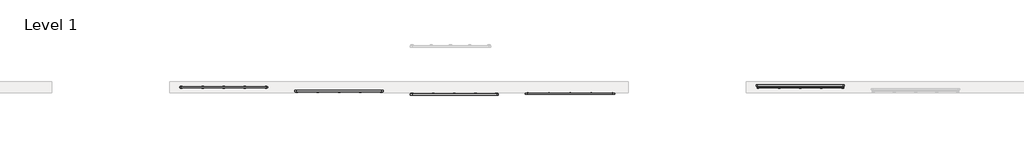
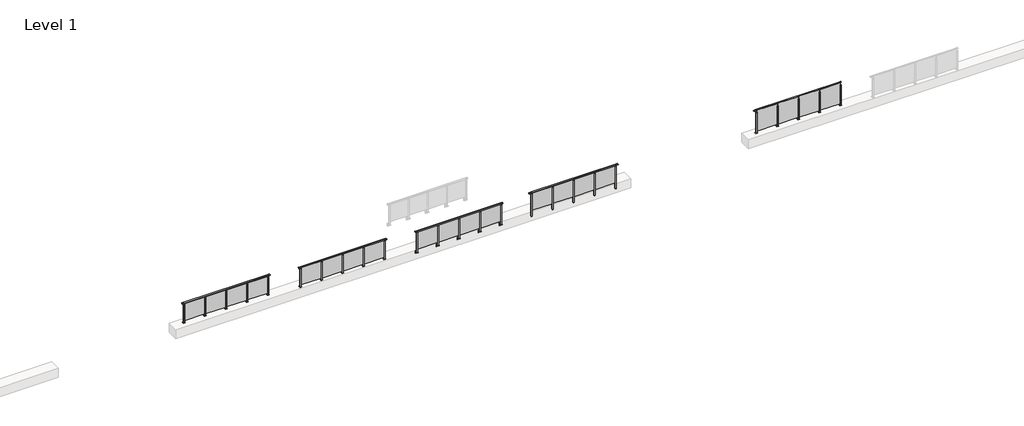
# One storey, part 18 of 37: 5 railings.
"""IFC4 building model written with IfcOpenShell, lengths in millimetres."""

from ifc_helpers import new_model, si_unit, point, frame, frame_2d, origin, origin_with_axes, place, context, project, spatial, polyline, circle_curve, trimmed, segment, composite_curve, outline, extrude, faceted_brep, element, save

model = new_model("IFC4")

# Units and contexts
model_context = context("Model", 3, world=origin())
ifc_project = project(units=[si_unit("LENGTHUNIT", "METRE", prefix="MILLI")], contexts=[model_context])

# Site, building, storey
site = spatial("IfcSite", under=ifc_project)
building = spatial("IfcBuilding", under=site)
storey = spatial("IfcBuildingStorey", under=building, Name="Level 1", Elevation=0.0)

# Railings
placement = place(None, origin())
element("IfcRailing", 1, at=placement, inside=storey, context=model_context, shape_type="SolidModel", body=[
    faceted_brep([(30000.0, 15220.1846828, 1055.0), (30000.0, 15220.1846828, 1100.0), (34400.0, 15220.1846828, 1100.0), (34400.0, 15220.1846828, 1055.0), (30000.0, 15160.1846828, 1055.0), (34400.0, 15160.1846828, 1055.0), (30000.0, 15160.1846828, 1100.0), (34400.0, 15160.1846828, 1100.0), (29900.0, 15220.1846828, 1100.0), (29900.0, 15220.1846828, 1055.0), (29900.0, 15160.1846828, 1055.0), (29900.0, 15160.1846828, 1100.0), (34500.0, 15220.1846828, 1100.0), (34500.0, 15160.1846828, 1100.0), (34500.0, 15160.1846828, 1055.0), (34500.0, 15220.1846828, 1055.0)], [[[0, 1, 2, 3]], [[4, 0, 3, 5]], [[6, 4, 5, 7]], [[1, 6, 7, 2]], [[8, 9, 10, 11]], [[9, 8, 1, 0]], [[10, 9, 0, 4]], [[11, 10, 4, 6]], [[8, 11, 6, 1]], [[12, 13, 14, 15]], [[3, 2, 12, 15]], [[5, 3, 15, 14]], [[7, 5, 14, 13]], [[2, 7, 13, 12]]]),
    extrude(outline(polyline([(33310.0, 15195.9598727), (34390.0, 15195.9598727), (34390.0, 15185.9598727), (33310.0, 15185.9598727), (33310.0, 15195.9598727)])), frame((0.0, 0.0, 95.0), z_axis=(0.0, 0.0, 1.0), x_axis=(1.0, 0.0, 0.0)), (0.0, 0.0, 1.0), 970.0),
    extrude(outline(polyline([(33310.0, 15180.1846828), (33290.0, 15180.1846828), (33290.0, 15200.1846828), (33310.0, 15200.1846828), (33310.0, 15180.1846828)])), frame((0.0, 0.0, 1035.0), z_axis=(0.0, 0.0, 1.0), x_axis=(1.0, 0.0, 0.0)), (0.0, 0.0, 1.0), 20.0),
    extrude(outline(polyline([(33322.5, 15157.6846828), (33277.5, 15157.6846828), (33277.5, 15222.6846828), (33322.5, 15222.6846828), (33322.5, 15157.6846828)])), frame((0.0, 0.0, 1027.0), z_axis=(0.0, 0.0, 1.0), x_axis=(1.0, 0.0, 0.0)), (0.0, 0.0, 1.0), 8.0),
    extrude(outline(polyline([(33350.0, 15140.1846828), (33250.0, 15140.1846828), (33250.0, 15240.1846828), (33350.0, 15240.1846828), (33350.0, 15140.1846828)])), origin_with_axes(), (0.0, 0.0, 1.0), 12.0),
    extrude(outline(polyline([(33322.5, 15157.6846828), (33277.5, 15157.6846828), (33277.5, 15222.6846828), (33322.5, 15222.6846828), (33322.5, 15157.6846828)])), frame((0.0, 0.0, 12.0), z_axis=(0.0, 0.0, 1.0), x_axis=(1.0, 0.0, 0.0)), (0.0, 0.0, 1.0), 1015.0),
    extrude(outline(polyline([(32210.0, 15195.9598727), (33290.0, 15195.9598727), (33290.0, 15185.9598727), (32210.0, 15185.9598727), (32210.0, 15195.9598727)])), frame((0.0, 0.0, 95.0), z_axis=(0.0, 0.0, 1.0), x_axis=(1.0, 0.0, 0.0)), (0.0, 0.0, 1.0), 970.0),
    extrude(outline(polyline([(32210.0, 15180.1846828), (32190.0, 15180.1846828), (32190.0, 15200.1846828), (32210.0, 15200.1846828), (32210.0, 15180.1846828)])), frame((0.0, 0.0, 1035.0), z_axis=(0.0, 0.0, 1.0), x_axis=(1.0, 0.0, 0.0)), (0.0, 0.0, 1.0), 20.0),
    extrude(outline(polyline([(32222.5, 15157.6846828), (32177.5, 15157.6846828), (32177.5, 15222.6846828), (32222.5, 15222.6846828), (32222.5, 15157.6846828)])), frame((0.0, 0.0, 1027.0), z_axis=(0.0, 0.0, 1.0), x_axis=(1.0, 0.0, 0.0)), (0.0, 0.0, 1.0), 8.0),
    extrude(outline(polyline([(32250.0, 15140.1846828), (32150.0, 15140.1846828), (32150.0, 15240.1846828), (32250.0, 15240.1846828), (32250.0, 15140.1846828)])), origin_with_axes(), (0.0, 0.0, 1.0), 12.0),
    extrude(outline(polyline([(32222.5, 15157.6846828), (32177.5, 15157.6846828), (32177.5, 15222.6846828), (32222.5, 15222.6846828), (32222.5, 15157.6846828)])), frame((0.0, 0.0, 12.0), z_axis=(0.0, 0.0, 1.0), x_axis=(1.0, 0.0, 0.0)), (0.0, 0.0, 1.0), 1015.0),
    extrude(outline(polyline([(31110.0, 15195.9598727), (32190.0, 15195.9598727), (32190.0, 15185.9598727), (31110.0, 15185.9598727), (31110.0, 15195.9598727)])), frame((0.0, 0.0, 95.0), z_axis=(0.0, 0.0, 1.0), x_axis=(1.0, 0.0, 0.0)), (0.0, 0.0, 1.0), 970.0),
    extrude(outline(polyline([(31110.0, 15180.1846828), (31090.0, 15180.1846828), (31090.0, 15200.1846828), (31110.0, 15200.1846828), (31110.0, 15180.1846828)])), frame((0.0, 0.0, 1035.0), z_axis=(0.0, 0.0, 1.0), x_axis=(1.0, 0.0, 0.0)), (0.0, 0.0, 1.0), 20.0),
    extrude(outline(polyline([(31122.5, 15157.6846828), (31077.5, 15157.6846828), (31077.5, 15222.6846828), (31122.5, 15222.6846828), (31122.5, 15157.6846828)])), frame((0.0, 0.0, 1027.0), z_axis=(0.0, 0.0, 1.0), x_axis=(1.0, 0.0, 0.0)), (0.0, 0.0, 1.0), 8.0),
    extrude(outline(polyline([(31150.0, 15140.1846828), (31050.0, 15140.1846828), (31050.0, 15240.1846828), (31150.0, 15240.1846828), (31150.0, 15140.1846828)])), origin_with_axes(), (0.0, 0.0, 1.0), 12.0),
    extrude(outline(polyline([(31122.5, 15157.6846828), (31077.5, 15157.6846828), (31077.5, 15222.6846828), (31122.5, 15222.6846828), (31122.5, 15157.6846828)])), frame((0.0, 0.0, 12.0), z_axis=(0.0, 0.0, 1.0), x_axis=(1.0, 0.0, 0.0)), (0.0, 0.0, 1.0), 1015.0),
    extrude(outline(polyline([(30010.0, 15195.9598727), (31090.0, 15195.9598727), (31090.0, 15185.9598727), (30010.0, 15185.9598727), (30010.0, 15195.9598727)])), frame((0.0, 0.0, 95.0), z_axis=(0.0, 0.0, 1.0), x_axis=(1.0, 0.0, 0.0)), (0.0, 0.0, 1.0), 970.0),
    extrude(outline(polyline([(34410.0, 15180.1846828), (34390.0, 15180.1846828), (34390.0, 15200.1846828), (34410.0, 15200.1846828), (34410.0, 15180.1846828)])), frame((0.0, 0.0, 1035.0), z_axis=(0.0, 0.0, 1.0), x_axis=(1.0, 0.0, 0.0)), (0.0, 0.0, 1.0), 20.0),
    extrude(outline(polyline([(34422.5, 15157.6846828), (34377.5, 15157.6846828), (34377.5, 15222.6846828), (34422.5, 15222.6846828), (34422.5, 15157.6846828)])), frame((0.0, 0.0, 1027.0), z_axis=(0.0, 0.0, 1.0), x_axis=(1.0, 0.0, 0.0)), (0.0, 0.0, 1.0), 8.0),
    extrude(outline(polyline([(34450.0, 15140.1846828), (34350.0, 15140.1846828), (34350.0, 15240.1846828), (34450.0, 15240.1846828), (34450.0, 15140.1846828)])), origin_with_axes(), (0.0, 0.0, 1.0), 12.0),
    extrude(outline(polyline([(34422.5, 15157.6846828), (34377.5, 15157.6846828), (34377.5, 15222.6846828), (34422.5, 15222.6846828), (34422.5, 15157.6846828)])), frame((0.0, 0.0, 12.0), z_axis=(0.0, 0.0, 1.0), x_axis=(1.0, 0.0, 0.0)), (0.0, 0.0, 1.0), 1015.0),
    extrude(outline(polyline([(30010.0, 15180.1846828), (29990.0, 15180.1846828), (29990.0, 15200.1846828), (30010.0, 15200.1846828), (30010.0, 15180.1846828)])), frame((0.0, 0.0, 1035.0), z_axis=(0.0, 0.0, 1.0), x_axis=(1.0, 0.0, 0.0)), (0.0, 0.0, 1.0), 20.0),
    extrude(outline(polyline([(30022.5, 15157.6846828), (29977.5, 15157.6846828), (29977.5, 15222.6846828), (30022.5, 15222.6846828), (30022.5, 15157.6846828)])), frame((0.0, 0.0, 1027.0), z_axis=(0.0, 0.0, 1.0), x_axis=(1.0, 0.0, 0.0)), (0.0, 0.0, 1.0), 8.0),
    extrude(outline(polyline([(30050.0, 15140.1846828), (29950.0, 15140.1846828), (29950.0, 15240.1846828), (30050.0, 15240.1846828), (30050.0, 15140.1846828)])), origin_with_axes(), (0.0, 0.0, 1.0), 12.0),
    extrude(outline(polyline([(30022.5, 15157.6846828), (29977.5, 15157.6846828), (29977.5, 15222.6846828), (30022.5, 15222.6846828), (30022.5, 15157.6846828)])), frame((0.0, 0.0, 12.0), z_axis=(0.0, 0.0, 1.0), x_axis=(1.0, 0.0, 0.0)), (0.0, 0.0, 1.0), 1015.0),
])
element("IfcRailing", 2, at=placement, inside=storey, context=model_context, shape_type="SolidModel", body=[
    faceted_brep([(48027.0, 14897.6846828, 1055.0), (48027.0, 14897.6846828, 1100.0), (52427.0, 14897.6846828, 1100.0), (52427.0, 14897.6846828, 1055.0), (48027.0, 14837.6846828, 1055.0), (52427.0, 14837.6846828, 1055.0), (48027.0, 14837.6846828, 1100.0), (52427.0, 14837.6846828, 1100.0), (47899.5, 14897.6846828, 1100.0), (47899.5, 14897.6846828, 1055.0), (47899.5, 14837.6846828, 1055.0), (47899.5, 14837.6846828, 1100.0), (52554.5, 14897.6846828, 1100.0), (52554.5, 14837.6846828, 1100.0), (52554.5, 14837.6846828, 1055.0), (52554.5, 14897.6846828, 1055.0)], [[[0, 1, 2, 3]], [[4, 0, 3, 5]], [[6, 4, 5, 7]], [[1, 6, 7, 2]], [[8, 9, 10, 11]], [[9, 8, 1, 0]], [[10, 9, 0, 4]], [[11, 10, 4, 6]], [[8, 11, 6, 1]], [[12, 13, 14, 15]], [[3, 2, 12, 15]], [[5, 3, 15, 14]], [[7, 5, 14, 13]], [[2, 7, 13, 12]]]),
    extrude(outline(polyline([(51337.0, 14861.9094929), (51337.0, 14871.9094929), (52417.0, 14871.9094929), (52417.0, 14861.9094929), (51337.0, 14861.9094929)])), frame((0.0, 0.0, 95.0), z_axis=(0.0, 0.0, 1.0), x_axis=(1.0, 0.0, 0.0)), (0.0, 0.0, 1.0), 960.0),
    extrude(outline(polyline([(51349.5, 14900.1846828), (51349.5, 14835.1846828), (51304.5, 14835.1846828), (51304.5, 14900.1846828), (51349.5, 14900.1846828)])), frame((0.0, 0.0, 1027.0), z_axis=(0.0, 0.0, 1.0), x_axis=(1.0, 0.0, 0.0)), (0.0, 0.0, 1.0), 8.0),
    extrude(outline(polyline([(51349.5, 14900.1846828), (51349.5, 14835.1846828), (51304.5, 14835.1846828), (51304.5, 14900.1846828), (51349.5, 14900.1846828)])), frame((0.0, 0.0, -212.0), z_axis=(0.0, 0.0, 1.0), x_axis=(1.0, 0.0, 0.0)), (0.0, 0.0, 1.0), 1239.0),
    extrude(outline(polyline([(51337.0, 14877.6846828), (51337.0, 14857.6846828), (51317.0, 14857.6846828), (51317.0, 14877.6846828), (51337.0, 14877.6846828)])), frame((0.0, 0.0, 1035.0), z_axis=(0.0, 0.0, 1.0), x_axis=(1.0, 0.0, 0.0)), (0.0, 0.0, 1.0), 20.0),
    extrude(outline(polyline([(51349.5, 14900.1846828), (51349.5, 14835.1846828), (51304.5, 14835.1846828), (51304.5, 14900.1846828), (51349.5, 14900.1846828)])), frame((0.0, 0.0, -220.0), z_axis=(0.0, 0.0, 1.0), x_axis=(1.0, 0.0, 0.0)), (0.0, 0.0, 1.0), 8.0),
    extrude(outline(polyline([(50237.0, 14861.9094929), (50237.0, 14871.9094929), (51317.0, 14871.9094929), (51317.0, 14861.9094929), (50237.0, 14861.9094929)])), frame((0.0, 0.0, 95.0), z_axis=(0.0, 0.0, 1.0), x_axis=(1.0, 0.0, 0.0)), (0.0, 0.0, 1.0), 960.0),
    extrude(outline(polyline([(50249.5, 14900.1846828), (50249.5, 14835.1846828), (50204.5, 14835.1846828), (50204.5, 14900.1846828), (50249.5, 14900.1846828)])), frame((0.0, 0.0, 1027.0), z_axis=(0.0, 0.0, 1.0), x_axis=(1.0, 0.0, 0.0)), (0.0, 0.0, 1.0), 8.0),
    extrude(outline(polyline([(50249.5, 14900.1846828), (50249.5, 14835.1846828), (50204.5, 14835.1846828), (50204.5, 14900.1846828), (50249.5, 14900.1846828)])), frame((0.0, 0.0, -212.0), z_axis=(0.0, 0.0, 1.0), x_axis=(1.0, 0.0, 0.0)), (0.0, 0.0, 1.0), 1239.0),
    extrude(outline(polyline([(50237.0, 14877.6846828), (50237.0, 14857.6846828), (50217.0, 14857.6846828), (50217.0, 14877.6846828), (50237.0, 14877.6846828)])), frame((0.0, 0.0, 1035.0), z_axis=(0.0, 0.0, 1.0), x_axis=(1.0, 0.0, 0.0)), (0.0, 0.0, 1.0), 20.0),
    extrude(outline(polyline([(50249.5, 14900.1846828), (50249.5, 14835.1846828), (50204.5, 14835.1846828), (50204.5, 14900.1846828), (50249.5, 14900.1846828)])), frame((0.0, 0.0, -220.0), z_axis=(0.0, 0.0, 1.0), x_axis=(1.0, 0.0, 0.0)), (0.0, 0.0, 1.0), 8.0),
    extrude(outline(polyline([(49137.0, 14861.9094929), (49137.0, 14871.9094929), (50217.0, 14871.9094929), (50217.0, 14861.9094929), (49137.0, 14861.9094929)])), frame((0.0, 0.0, 95.0), z_axis=(0.0, 0.0, 1.0), x_axis=(1.0, 0.0, 0.0)), (0.0, 0.0, 1.0), 960.0),
    extrude(outline(polyline([(49149.5, 14900.1846828), (49149.5, 14835.1846828), (49104.5, 14835.1846828), (49104.5, 14900.1846828), (49149.5, 14900.1846828)])), frame((0.0, 0.0, 1027.0), z_axis=(0.0, 0.0, 1.0), x_axis=(1.0, 0.0, 0.0)), (0.0, 0.0, 1.0), 8.0),
    extrude(outline(polyline([(49149.5, 14900.1846828), (49149.5, 14835.1846828), (49104.5, 14835.1846828), (49104.5, 14900.1846828), (49149.5, 14900.1846828)])), frame((0.0, 0.0, -212.0), z_axis=(0.0, 0.0, 1.0), x_axis=(1.0, 0.0, 0.0)), (0.0, 0.0, 1.0), 1239.0),
    extrude(outline(polyline([(49137.0, 14877.6846828), (49137.0, 14857.6846828), (49117.0, 14857.6846828), (49117.0, 14877.6846828), (49137.0, 14877.6846828)])), frame((0.0, 0.0, 1035.0), z_axis=(0.0, 0.0, 1.0), x_axis=(1.0, 0.0, 0.0)), (0.0, 0.0, 1.0), 20.0),
    extrude(outline(polyline([(49149.5, 14900.1846828), (49149.5, 14835.1846828), (49104.5, 14835.1846828), (49104.5, 14900.1846828), (49149.5, 14900.1846828)])), frame((0.0, 0.0, -220.0), z_axis=(0.0, 0.0, 1.0), x_axis=(1.0, 0.0, 0.0)), (0.0, 0.0, 1.0), 8.0),
    extrude(outline(polyline([(48037.0, 14861.9094929), (48037.0, 14871.9094929), (49117.0, 14871.9094929), (49117.0, 14861.9094929), (48037.0, 14861.9094929)])), frame((0.0, 0.0, 95.0), z_axis=(0.0, 0.0, 1.0), x_axis=(1.0, 0.0, 0.0)), (0.0, 0.0, 1.0), 960.0),
    extrude(outline(polyline([(52449.5, 14900.1846828), (52449.5, 14835.1846828), (52404.5, 14835.1846828), (52404.5, 14900.1846828), (52449.5, 14900.1846828)])), frame((0.0, 0.0, 1027.0), z_axis=(0.0, 0.0, 1.0), x_axis=(1.0, 0.0, 0.0)), (0.0, 0.0, 1.0), 8.0),
    extrude(outline(polyline([(52449.5, 14900.1846828), (52449.5, 14835.1846828), (52404.5, 14835.1846828), (52404.5, 14900.1846828), (52449.5, 14900.1846828)])), frame((0.0, 0.0, -212.0), z_axis=(0.0, 0.0, 1.0), x_axis=(1.0, 0.0, 0.0)), (0.0, 0.0, 1.0), 1239.0),
    extrude(outline(polyline([(52437.0, 14877.6846828), (52437.0, 14857.6846828), (52417.0, 14857.6846828), (52417.0, 14877.6846828), (52437.0, 14877.6846828)])), frame((0.0, 0.0, 1035.0), z_axis=(0.0, 0.0, 1.0), x_axis=(1.0, 0.0, 0.0)), (0.0, 0.0, 1.0), 20.0),
    extrude(outline(polyline([(52449.5, 14900.1846828), (52449.5, 14835.1846828), (52404.5, 14835.1846828), (52404.5, 14900.1846828), (52449.5, 14900.1846828)])), frame((0.0, 0.0, -220.0), z_axis=(0.0, 0.0, 1.0), x_axis=(1.0, 0.0, 0.0)), (0.0, 0.0, 1.0), 8.0),
    extrude(outline(polyline([(48049.5, 14900.1846828), (48049.5, 14835.1846828), (48004.5, 14835.1846828), (48004.5, 14900.1846828), (48049.5, 14900.1846828)])), frame((0.0, 0.0, 1027.0), z_axis=(0.0, 0.0, 1.0), x_axis=(1.0, 0.0, 0.0)), (0.0, 0.0, 1.0), 8.0),
    extrude(outline(polyline([(48049.5, 14900.1846828), (48049.5, 14835.1846828), (48004.5, 14835.1846828), (48004.5, 14900.1846828), (48049.5, 14900.1846828)])), frame((0.0, 0.0, -212.0), z_axis=(0.0, 0.0, 1.0), x_axis=(1.0, 0.0, 0.0)), (0.0, 0.0, 1.0), 1239.0),
    extrude(outline(polyline([(48037.0, 14877.6846828), (48037.0, 14857.6846828), (48017.0, 14857.6846828), (48017.0, 14877.6846828), (48037.0, 14877.6846828)])), frame((0.0, 0.0, 1035.0), z_axis=(0.0, 0.0, 1.0), x_axis=(1.0, 0.0, 0.0)), (0.0, 0.0, 1.0), 20.0),
    extrude(outline(polyline([(48049.5, 14900.1846828), (48049.5, 14835.1846828), (48004.5, 14835.1846828), (48004.5, 14900.1846828), (48049.5, 14900.1846828)])), frame((0.0, 0.0, -220.0), z_axis=(0.0, 0.0, 1.0), x_axis=(1.0, 0.0, 0.0)), (0.0, 0.0, 1.0), 8.0),
])
element("IfcRailing", 3, at=placement, inside=storey, context=model_context, shape_type="SolidModel", body=[
    faceted_brep([(41910.0, 14847.6846828, 1100.0), (41910.0, 14847.6846828, 1055.0), (41910.0, 14787.6846828, 1055.0), (41910.0, 14787.6846828, 1100.0), (42000.0, 14847.6846828, 1100.0), (42000.0, 14847.6846828, 1055.0), (42000.0, 14787.6846828, 1055.0), (42000.0, 14787.6846828, 1100.0), (46400.0, 14847.6846828, 1100.0), (46400.0, 14847.6846828, 1055.0), (46400.0, 14787.6846828, 1055.0), (46400.0, 14787.6846828, 1100.0), (46490.0, 14847.6846828, 1100.0), (46490.0, 14787.6846828, 1100.0), (46490.0, 14787.6846828, 1055.0), (46490.0, 14847.6846828, 1055.0)], [[[0, 1, 2, 3]], [[1, 0, 4, 5]], [[2, 1, 5, 6]], [[3, 2, 6, 7]], [[0, 3, 7, 4]], [[5, 4, 8, 9]], [[6, 5, 9, 10]], [[7, 6, 10, 11]], [[4, 7, 11, 8]], [[12, 13, 14, 15]], [[9, 8, 12, 15]], [[10, 9, 15, 14]], [[11, 10, 14, 13]], [[8, 11, 13, 12]]]),
    extrude(outline(polyline([(45310.0, 14811.9094929), (45310.0, 14821.9094929), (46390.0, 14821.9094929), (46390.0, 14811.9094929), (45310.0, 14811.9094929)])), frame((0.0, 0.0, 95.0), z_axis=(0.0, 0.0, 1.0), x_axis=(1.0, 0.0, 0.0)), (0.0, 0.0, 1.0), 960.0),
    extrude(outline(composite_curve([segment(polyline([(14850.1846828, -70.0), (14884.1846828, -63.0), (14884.1846828, -32.5), (14900.1846828, -32.5), (14900.1846828, -167.5), (14884.1846828, -167.5), (14884.1846828, -113.5)]), True, "CONTINUOUS"), segment(trimmed(circle_curve(frame_2d((14864.1846828, -113.5)), 20.0), [point((14884.1846828, -113.5))], [point((14864.1846828, -93.5))], True, "CARTESIAN"), True, "CONTINUOUS"), segment(polyline([(14864.1846828, -93.5), (14780.1846828, -93.5), (14780.1846828, -70.0), (14850.1846828, -70.0)]), True, "CONTINUOUS")], self_intersect=False)), frame((45240.0, 0.0, 0.0), z_axis=(1.0, 0.0, 0.0), x_axis=(0.0, 1.0, 0.0)), (0.0, 0.0, 1.0), 120.0),
    extrude(outline(polyline([(45322.5, 14850.1846828), (45322.5, 14785.1846828), (45277.5, 14785.1846828), (45277.5, 14850.1846828), (45322.5, 14850.1846828)])), frame((0.0, 0.0, -70.0), z_axis=(0.0, 0.0, 1.0), x_axis=(1.0, 0.0, 0.0)), (0.0, 0.0, 1.0), 1097.0),
    extrude(outline(polyline([(45310.0, 14827.6846828), (45310.0, 14807.6846828), (45290.0, 14807.6846828), (45290.0, 14827.6846828), (45310.0, 14827.6846828)])), frame((0.0, 0.0, 1035.0), z_axis=(0.0, 0.0, 1.0), x_axis=(1.0, 0.0, 0.0)), (0.0, 0.0, 1.0), 20.0),
    extrude(outline(polyline([(45322.5, 14850.1846828), (45322.5, 14785.1846828), (45277.5, 14785.1846828), (45277.5, 14850.1846828), (45322.5, 14850.1846828)])), frame((0.0, 0.0, 1027.0), z_axis=(0.0, 0.0, 1.0), x_axis=(1.0, 0.0, 0.0)), (0.0, 0.0, 1.0), 8.0),
    extrude(outline(polyline([(44210.0, 14811.9094929), (44210.0, 14821.9094929), (45290.0, 14821.9094929), (45290.0, 14811.9094929), (44210.0, 14811.9094929)])), frame((0.0, 0.0, 95.0), z_axis=(0.0, 0.0, 1.0), x_axis=(1.0, 0.0, 0.0)), (0.0, 0.0, 1.0), 960.0),
    extrude(outline(composite_curve([segment(polyline([(14850.1846828, -70.0), (14884.1846828, -63.0), (14884.1846828, -32.5), (14900.1846828, -32.5), (14900.1846828, -167.5), (14884.1846828, -167.5), (14884.1846828, -113.5)]), True, "CONTINUOUS"), segment(trimmed(circle_curve(frame_2d((14864.1846828, -113.5)), 20.0), [point((14884.1846828, -113.5))], [point((14864.1846828, -93.5))], True, "CARTESIAN"), True, "CONTINUOUS"), segment(polyline([(14864.1846828, -93.5), (14780.1846828, -93.5), (14780.1846828, -70.0), (14850.1846828, -70.0)]), True, "CONTINUOUS")], self_intersect=False)), frame((44140.0, 0.0, 0.0), z_axis=(1.0, 0.0, 0.0), x_axis=(0.0, 1.0, 0.0)), (0.0, 0.0, 1.0), 120.0),
    extrude(outline(polyline([(44222.5, 14850.1846828), (44222.5, 14785.1846828), (44177.5, 14785.1846828), (44177.5, 14850.1846828), (44222.5, 14850.1846828)])), frame((0.0, 0.0, -70.0), z_axis=(0.0, 0.0, 1.0), x_axis=(1.0, 0.0, 0.0)), (0.0, 0.0, 1.0), 1097.0),
    extrude(outline(polyline([(44210.0, 14827.6846828), (44210.0, 14807.6846828), (44190.0, 14807.6846828), (44190.0, 14827.6846828), (44210.0, 14827.6846828)])), frame((0.0, 0.0, 1035.0), z_axis=(0.0, 0.0, 1.0), x_axis=(1.0, 0.0, 0.0)), (0.0, 0.0, 1.0), 20.0),
    extrude(outline(polyline([(44222.5, 14850.1846828), (44222.5, 14785.1846828), (44177.5, 14785.1846828), (44177.5, 14850.1846828), (44222.5, 14850.1846828)])), frame((0.0, 0.0, 1027.0), z_axis=(0.0, 0.0, 1.0), x_axis=(1.0, 0.0, 0.0)), (0.0, 0.0, 1.0), 8.0),
    extrude(outline(polyline([(43110.0, 14811.9094929), (43110.0, 14821.9094929), (44190.0, 14821.9094929), (44190.0, 14811.9094929), (43110.0, 14811.9094929)])), frame((0.0, 0.0, 95.0), z_axis=(0.0, 0.0, 1.0), x_axis=(1.0, 0.0, 0.0)), (0.0, 0.0, 1.0), 960.0),
    extrude(outline(composite_curve([segment(polyline([(14850.1846828, -70.0), (14884.1846828, -63.0), (14884.1846828, -32.5), (14900.1846828, -32.5), (14900.1846828, -167.5), (14884.1846828, -167.5), (14884.1846828, -113.5)]), True, "CONTINUOUS"), segment(trimmed(circle_curve(frame_2d((14864.1846828, -113.5)), 20.0), [point((14884.1846828, -113.5))], [point((14864.1846828, -93.5))], True, "CARTESIAN"), True, "CONTINUOUS"), segment(polyline([(14864.1846828, -93.5), (14780.1846828, -93.5), (14780.1846828, -70.0), (14850.1846828, -70.0)]), True, "CONTINUOUS")], self_intersect=False)), frame((43040.0, 0.0, 0.0), z_axis=(1.0, 0.0, 0.0), x_axis=(0.0, 1.0, 0.0)), (0.0, 0.0, 1.0), 120.0),
    extrude(outline(polyline([(43122.5, 14850.1846828), (43122.5, 14785.1846828), (43077.5, 14785.1846828), (43077.5, 14850.1846828), (43122.5, 14850.1846828)])), frame((0.0, 0.0, -70.0), z_axis=(0.0, 0.0, 1.0), x_axis=(1.0, 0.0, 0.0)), (0.0, 0.0, 1.0), 1097.0),
    extrude(outline(polyline([(43110.0, 14827.6846828), (43110.0, 14807.6846828), (43090.0, 14807.6846828), (43090.0, 14827.6846828), (43110.0, 14827.6846828)])), frame((0.0, 0.0, 1035.0), z_axis=(0.0, 0.0, 1.0), x_axis=(1.0, 0.0, 0.0)), (0.0, 0.0, 1.0), 20.0),
    extrude(outline(polyline([(43122.5, 14850.1846828), (43122.5, 14785.1846828), (43077.5, 14785.1846828), (43077.5, 14850.1846828), (43122.5, 14850.1846828)])), frame((0.0, 0.0, 1027.0), z_axis=(0.0, 0.0, 1.0), x_axis=(1.0, 0.0, 0.0)), (0.0, 0.0, 1.0), 8.0),
    extrude(outline(polyline([(42010.0, 14811.9094929), (42010.0, 14821.9094929), (43090.0, 14821.9094929), (43090.0, 14811.9094929), (42010.0, 14811.9094929)])), frame((0.0, 0.0, 95.0), z_axis=(0.0, 0.0, 1.0), x_axis=(1.0, 0.0, 0.0)), (0.0, 0.0, 1.0), 960.0),
    extrude(outline(composite_curve([segment(polyline([(14850.1846828, -70.0), (14884.1846828, -63.0), (14884.1846828, -32.5), (14900.1846828, -32.5), (14900.1846828, -167.5), (14884.1846828, -167.5), (14884.1846828, -113.5)]), True, "CONTINUOUS"), segment(trimmed(circle_curve(frame_2d((14864.1846828, -113.5)), 20.0), [point((14884.1846828, -113.5))], [point((14864.1846828, -93.5))], True, "CARTESIAN"), True, "CONTINUOUS"), segment(polyline([(14864.1846828, -93.5), (14780.1846828, -93.5), (14780.1846828, -70.0), (14850.1846828, -70.0)]), True, "CONTINUOUS")], self_intersect=False)), frame((46340.0, 0.0, 0.0), z_axis=(1.0, 0.0, 0.0), x_axis=(0.0, 1.0, 0.0)), (0.0, 0.0, 1.0), 120.0),
    extrude(outline(polyline([(46422.5, 14850.1846828), (46422.5, 14785.1846828), (46377.5, 14785.1846828), (46377.5, 14850.1846828), (46422.5, 14850.1846828)])), frame((0.0, 0.0, -70.0), z_axis=(0.0, 0.0, 1.0), x_axis=(1.0, 0.0, 0.0)), (0.0, 0.0, 1.0), 1097.0),
    extrude(outline(polyline([(46410.0, 14827.6846828), (46410.0, 14807.6846828), (46390.0, 14807.6846828), (46390.0, 14827.6846828), (46410.0, 14827.6846828)])), frame((0.0, 0.0, 1035.0), z_axis=(0.0, 0.0, 1.0), x_axis=(1.0, 0.0, 0.0)), (0.0, 0.0, 1.0), 20.0),
    extrude(outline(polyline([(46422.5, 14850.1846828), (46422.5, 14785.1846828), (46377.5, 14785.1846828), (46377.5, 14850.1846828), (46422.5, 14850.1846828)])), frame((0.0, 0.0, 1027.0), z_axis=(0.0, 0.0, 1.0), x_axis=(1.0, 0.0, 0.0)), (0.0, 0.0, 1.0), 8.0),
    extrude(outline(composite_curve([segment(polyline([(14850.1846828, -70.0), (14884.1846828, -63.0), (14884.1846828, -32.5), (14900.1846828, -32.5), (14900.1846828, -167.5), (14884.1846828, -167.5), (14884.1846828, -113.5)]), True, "CONTINUOUS"), segment(trimmed(circle_curve(frame_2d((14864.1846828, -113.5)), 20.0), [point((14884.1846828, -113.5))], [point((14864.1846828, -93.5))], True, "CARTESIAN"), True, "CONTINUOUS"), segment(polyline([(14864.1846828, -93.5), (14780.1846828, -93.5), (14780.1846828, -70.0), (14850.1846828, -70.0)]), True, "CONTINUOUS")], self_intersect=False)), frame((41940.0, 0.0, 0.0), z_axis=(1.0, 0.0, 0.0), x_axis=(0.0, 1.0, 0.0)), (0.0, 0.0, 1.0), 120.0),
    extrude(outline(polyline([(42022.5, 14850.1846828), (42022.5, 14785.1846828), (41977.5, 14785.1846828), (41977.5, 14850.1846828), (42022.5, 14850.1846828)])), frame((0.0, 0.0, -70.0), z_axis=(0.0, 0.0, 1.0), x_axis=(1.0, 0.0, 0.0)), (0.0, 0.0, 1.0), 1097.0),
    extrude(outline(polyline([(42010.0, 14827.6846828), (42010.0, 14807.6846828), (41990.0, 14807.6846828), (41990.0, 14827.6846828), (42010.0, 14827.6846828)])), frame((0.0, 0.0, 1035.0), z_axis=(0.0, 0.0, 1.0), x_axis=(1.0, 0.0, 0.0)), (0.0, 0.0, 1.0), 20.0),
    extrude(outline(polyline([(42022.5, 14850.1846828), (42022.5, 14785.1846828), (41977.5, 14785.1846828), (41977.5, 14850.1846828), (42022.5, 14850.1846828)])), frame((0.0, 0.0, 1027.0), z_axis=(0.0, 0.0, 1.0), x_axis=(1.0, 0.0, 0.0)), (0.0, 0.0, 1.0), 8.0),
])
element("IfcRailing", 4, at=placement, inside=storey, context=model_context, shape_type="SolidModel", body=[
    faceted_brep([(36000.0, 15030.1846828, 1055.0), (36000.0, 15030.1846828, 1100.0), (40400.0, 15030.1846828, 1100.0), (40400.0, 15030.1846828, 1055.0), (36000.0, 14970.1846828, 1055.0), (40400.0, 14970.1846828, 1055.0), (36000.0, 14970.1846828, 1100.0), (40400.0, 14970.1846828, 1100.0), (35900.0, 15030.1846828, 1100.0), (35900.0, 15030.1846828, 1055.0), (35900.0, 14970.1846828, 1055.0), (35900.0, 14970.1846828, 1100.0), (40500.0, 15030.1846828, 1100.0), (40500.0, 14970.1846828, 1100.0), (40500.0, 14970.1846828, 1055.0), (40500.0, 15030.1846828, 1055.0)], [[[0, 1, 2, 3]], [[4, 0, 3, 5]], [[6, 4, 5, 7]], [[1, 6, 7, 2]], [[8, 9, 10, 11]], [[9, 8, 1, 0]], [[10, 9, 0, 4]], [[11, 10, 4, 6]], [[8, 11, 6, 1]], [[12, 13, 14, 15]], [[3, 2, 12, 15]], [[5, 3, 15, 14]], [[7, 5, 14, 13]], [[2, 7, 13, 12]]]),
    extrude(outline(polyline([(39310.0, 15005.9598727), (40390.0, 15005.9598727), (40390.0, 14995.9598727), (39310.0, 14995.9598727), (39310.0, 15005.9598727)])), frame((0.0, 0.0, 95.0), z_axis=(0.0, 0.0, 1.0), x_axis=(1.0, 0.0, 0.0)), (0.0, 0.0, 1.0), 960.0),
    extrude(outline(polyline([(39310.0, 14990.1846828), (39290.0, 14990.1846828), (39290.0, 15010.1846828), (39310.0, 15010.1846828), (39310.0, 14990.1846828)])), frame((0.0, 0.0, 1035.0), z_axis=(0.0, 0.0, 1.0), x_axis=(1.0, 0.0, 0.0)), (0.0, 0.0, 1.0), 20.0),
    extrude(outline(polyline([(39322.5, 14967.6846828), (39277.5, 14967.6846828), (39277.5, 15032.6846828), (39322.5, 15032.6846828), (39322.5, 14967.6846828)])), frame((0.0, 0.0, 1027.0), z_axis=(0.0, 0.0, 1.0), x_axis=(1.0, 0.0, 0.0)), (0.0, 0.0, 1.0), 8.0),
    extrude(outline(polyline([(39350.0, 14950.1846828), (39250.0, 14950.1846828), (39250.0, 15050.1846828), (39350.0, 15050.1846828), (39350.0, 14950.1846828)])), origin_with_axes(), (0.0, 0.0, 1.0), 12.0),
    extrude(outline(polyline([(39322.5, 14967.6846828), (39277.5, 14967.6846828), (39277.5, 15032.6846828), (39322.5, 15032.6846828), (39322.5, 14967.6846828)])), frame((0.0, 0.0, 12.0), z_axis=(0.0, 0.0, 1.0), x_axis=(1.0, 0.0, 0.0)), (0.0, 0.0, 1.0), 1015.0),
    extrude(outline(polyline([(38210.0, 15005.9598727), (39290.0, 15005.9598727), (39290.0, 14995.9598727), (38210.0, 14995.9598727), (38210.0, 15005.9598727)])), frame((0.0, 0.0, 95.0), z_axis=(0.0, 0.0, 1.0), x_axis=(1.0, 0.0, 0.0)), (0.0, 0.0, 1.0), 960.0),
    extrude(outline(polyline([(38210.0, 14990.1846828), (38190.0, 14990.1846828), (38190.0, 15010.1846828), (38210.0, 15010.1846828), (38210.0, 14990.1846828)])), frame((0.0, 0.0, 1035.0), z_axis=(0.0, 0.0, 1.0), x_axis=(1.0, 0.0, 0.0)), (0.0, 0.0, 1.0), 20.0),
    extrude(outline(polyline([(38222.5, 14967.6846828), (38177.5, 14967.6846828), (38177.5, 15032.6846828), (38222.5, 15032.6846828), (38222.5, 14967.6846828)])), frame((0.0, 0.0, 1027.0), z_axis=(0.0, 0.0, 1.0), x_axis=(1.0, 0.0, 0.0)), (0.0, 0.0, 1.0), 8.0),
    extrude(outline(polyline([(38250.0, 14950.1846828), (38150.0, 14950.1846828), (38150.0, 15050.1846828), (38250.0, 15050.1846828), (38250.0, 14950.1846828)])), origin_with_axes(), (0.0, 0.0, 1.0), 12.0),
    extrude(outline(polyline([(38222.5, 14967.6846828), (38177.5, 14967.6846828), (38177.5, 15032.6846828), (38222.5, 15032.6846828), (38222.5, 14967.6846828)])), frame((0.0, 0.0, 12.0), z_axis=(0.0, 0.0, 1.0), x_axis=(1.0, 0.0, 0.0)), (0.0, 0.0, 1.0), 1015.0),
    extrude(outline(polyline([(37110.0, 15005.9598727), (38190.0, 15005.9598727), (38190.0, 14995.9598727), (37110.0, 14995.9598727), (37110.0, 15005.9598727)])), frame((0.0, 0.0, 95.0), z_axis=(0.0, 0.0, 1.0), x_axis=(1.0, 0.0, 0.0)), (0.0, 0.0, 1.0), 960.0),
    extrude(outline(polyline([(37110.0, 14990.1846828), (37090.0, 14990.1846828), (37090.0, 15010.1846828), (37110.0, 15010.1846828), (37110.0, 14990.1846828)])), frame((0.0, 0.0, 1035.0), z_axis=(0.0, 0.0, 1.0), x_axis=(1.0, 0.0, 0.0)), (0.0, 0.0, 1.0), 20.0),
    extrude(outline(polyline([(37122.5, 14967.6846828), (37077.5, 14967.6846828), (37077.5, 15032.6846828), (37122.5, 15032.6846828), (37122.5, 14967.6846828)])), frame((0.0, 0.0, 1027.0), z_axis=(0.0, 0.0, 1.0), x_axis=(1.0, 0.0, 0.0)), (0.0, 0.0, 1.0), 8.0),
    extrude(outline(polyline([(37150.0, 14950.1846828), (37050.0, 14950.1846828), (37050.0, 15050.1846828), (37150.0, 15050.1846828), (37150.0, 14950.1846828)])), origin_with_axes(), (0.0, 0.0, 1.0), 12.0),
    extrude(outline(polyline([(37122.5, 14967.6846828), (37077.5, 14967.6846828), (37077.5, 15032.6846828), (37122.5, 15032.6846828), (37122.5, 14967.6846828)])), frame((0.0, 0.0, 12.0), z_axis=(0.0, 0.0, 1.0), x_axis=(1.0, 0.0, 0.0)), (0.0, 0.0, 1.0), 1015.0),
    extrude(outline(polyline([(36010.0, 15005.9598727), (37090.0, 15005.9598727), (37090.0, 14995.9598727), (36010.0, 14995.9598727), (36010.0, 15005.9598727)])), frame((0.0, 0.0, 95.0), z_axis=(0.0, 0.0, 1.0), x_axis=(1.0, 0.0, 0.0)), (0.0, 0.0, 1.0), 960.0),
    extrude(outline(polyline([(40410.0, 14990.1846828), (40390.0, 14990.1846828), (40390.0, 15010.1846828), (40410.0, 15010.1846828), (40410.0, 14990.1846828)])), frame((0.0, 0.0, 1035.0), z_axis=(0.0, 0.0, 1.0), x_axis=(1.0, 0.0, 0.0)), (0.0, 0.0, 1.0), 20.0),
    extrude(outline(polyline([(40422.5, 14967.6846828), (40377.5, 14967.6846828), (40377.5, 15032.6846828), (40422.5, 15032.6846828), (40422.5, 14967.6846828)])), frame((0.0, 0.0, 1027.0), z_axis=(0.0, 0.0, 1.0), x_axis=(1.0, 0.0, 0.0)), (0.0, 0.0, 1.0), 8.0),
    extrude(outline(polyline([(40450.0, 14950.1846828), (40350.0, 14950.1846828), (40350.0, 15050.1846828), (40450.0, 15050.1846828), (40450.0, 14950.1846828)])), origin_with_axes(), (0.0, 0.0, 1.0), 12.0),
    extrude(outline(polyline([(40422.5, 14967.6846828), (40377.5, 14967.6846828), (40377.5, 15032.6846828), (40422.5, 15032.6846828), (40422.5, 14967.6846828)])), frame((0.0, 0.0, 12.0), z_axis=(0.0, 0.0, 1.0), x_axis=(1.0, 0.0, 0.0)), (0.0, 0.0, 1.0), 1015.0),
    extrude(outline(polyline([(36010.0, 14990.1846828), (35990.0, 14990.1846828), (35990.0, 15010.1846828), (36010.0, 15010.1846828), (36010.0, 14990.1846828)])), frame((0.0, 0.0, 1035.0), z_axis=(0.0, 0.0, 1.0), x_axis=(1.0, 0.0, 0.0)), (0.0, 0.0, 1.0), 20.0),
    extrude(outline(polyline([(36022.5, 14967.6846828), (35977.5, 14967.6846828), (35977.5, 15032.6846828), (36022.5, 15032.6846828), (36022.5, 14967.6846828)])), frame((0.0, 0.0, 1027.0), z_axis=(0.0, 0.0, 1.0), x_axis=(1.0, 0.0, 0.0)), (0.0, 0.0, 1.0), 8.0),
    extrude(outline(polyline([(36050.0, 14950.1846828), (35950.0, 14950.1846828), (35950.0, 15050.1846828), (36050.0, 15050.1846828), (36050.0, 14950.1846828)])), origin_with_axes(), (0.0, 0.0, 1.0), 12.0),
    extrude(outline(polyline([(36022.5, 14967.6846828), (35977.5, 14967.6846828), (35977.5, 15032.6846828), (36022.5, 15032.6846828), (36022.5, 14967.6846828)])), frame((0.0, 0.0, 12.0), z_axis=(0.0, 0.0, 1.0), x_axis=(1.0, 0.0, 0.0)), (0.0, 0.0, 1.0), 1015.0),
])
element("IfcRailing", 5, at=placement, inside=storey, context=model_context, shape_type="SolidModel", body=[
    faceted_brep([(60000.0, 15315.6846828, 1185.0), (60000.0, 15315.6846828, 1200.0), (64400.0, 15315.6846828, 1200.0), (64400.0, 15315.6846828, 1185.0), (60000.0, 15255.6846828, 1185.0), (64400.0, 15255.6846828, 1185.0), (60000.0, 15255.6846828, 1200.0), (64400.0, 15255.6846828, 1200.0), (59900.0, 15315.6846828, 1200.0), (59900.0, 15315.6846828, 1185.0), (59900.0, 15255.6846828, 1185.0), (59900.0, 15255.6846828, 1200.0), (64500.0, 15315.6846828, 1200.0), (64500.0, 15255.6846828, 1200.0), (64500.0, 15255.6846828, 1185.0), (64500.0, 15315.6846828, 1185.0)], [[[0, 1, 2, 3]], [[4, 0, 3, 5]], [[6, 4, 5, 7]], [[1, 6, 7, 2]], [[8, 9, 10, 11]], [[9, 8, 1, 0]], [[10, 9, 0, 4]], [[11, 10, 4, 6]], [[8, 11, 6, 1]], [[12, 13, 14, 15]], [[3, 2, 12, 15]], [[5, 3, 15, 14]], [[7, 5, 14, 13]], [[2, 7, 13, 12]]]),
    extrude(outline(polyline([(63310.0, 15184.4094929), (63310.0, 15194.4094929), (64390.0, 15194.4094929), (64390.0, 15184.4094929), (63310.0, 15184.4094929)])), frame((0.0, 0.0, 95.0), z_axis=(0.0, 0.0, 1.0), x_axis=(1.0, 0.0, 0.0)), (0.0, 0.0, 1.0), 1155.0),
    extrude(outline(composite_curve([segment(polyline([(15310.6846828, 1185.0), (15310.6846828, 1160.900037)]), True, "CONTINUOUS"), segment(trimmed(circle_curve(frame_2d((15300.6846828, 1160.900037)), 10.0), [point((15310.6846828, 1160.900037))], [point((15303.2728733, 1151.2407787))], False, "CARTESIAN"), True, "CONTINUOUS"), segment(polyline([(15303.2728733, 1151.2407787), (15246.2244733, 1135.9547061)]), True, "CONTINUOUS"), segment(trimmed(circle_curve(frame_2d((15248.8126638, 1126.2954478)), 10.0), [point((15246.2244733, 1135.9547061))], [point((15238.8982152, 1127.6007097))], True, "CARTESIAN"), True, "CONTINUOUS"), segment(polyline([(15238.8982152, 1127.6007097), (15234.291393, 1092.6084214)]), True, "CONTINUOUS"), segment(trimmed(circle_curve(frame_2d((15231.3170584, 1093.0)), 3.0), [point((15234.291393, 1092.6084214))], [point((15231.3170584, 1090.0))], False, "CARTESIAN"), True, "CONTINUOUS"), segment(polyline([(15231.3170584, 1090.0), (15222.6846828, 1090.0), (15222.6846828, 1140.0), (15286.6846828, 1157.1487483), (15286.6846828, 1185.0), (15310.6846828, 1185.0)]), True, "CONTINUOUS")], self_intersect=False)), frame((63287.5, 0.0, 0.0), z_axis=(1.0, 0.0, 0.0), x_axis=(0.0, 1.0, 0.0)), (0.0, 0.0, 1.0), 25.0),
    extrude(outline(polyline([(63322.5, 15222.6846828), (63322.5, 15157.6846828), (63277.5, 15157.6846828), (63277.5, 15222.6846828), (63322.5, 15222.6846828)])), frame((0.0, 0.0, 1140.0), z_axis=(0.0, 0.0, 1.0), x_axis=(1.0, 0.0, 0.0)), (0.0, 0.0, 1.0), 5.0),
    extrude(outline(polyline([(63350.0, 15240.1846828), (63350.0, 15140.1846828), (63250.0, 15140.1846828), (63250.0, 15240.1846828), (63350.0, 15240.1846828)])), origin_with_axes(), (0.0, 0.0, 1.0), 12.0),
    extrude(outline(polyline([(63322.5, 15222.6846828), (63322.5, 15157.6846828), (63277.5, 15157.6846828), (63277.5, 15222.6846828), (63322.5, 15222.6846828)])), frame((0.0, 0.0, 12.0), z_axis=(0.0, 0.0, 1.0), x_axis=(1.0, 0.0, 0.0)), (0.0, 0.0, 1.0), 1128.0),
    extrude(outline(polyline([(62210.0, 15184.4094929), (62210.0, 15194.4094929), (63290.0, 15194.4094929), (63290.0, 15184.4094929), (62210.0, 15184.4094929)])), frame((0.0, 0.0, 95.0), z_axis=(0.0, 0.0, 1.0), x_axis=(1.0, 0.0, 0.0)), (0.0, 0.0, 1.0), 1155.0),
    extrude(outline(composite_curve([segment(polyline([(15310.6846828, 1185.0), (15310.6846828, 1160.900037)]), True, "CONTINUOUS"), segment(trimmed(circle_curve(frame_2d((15300.6846828, 1160.900037)), 10.0), [point((15310.6846828, 1160.900037))], [point((15303.2728733, 1151.2407787))], False, "CARTESIAN"), True, "CONTINUOUS"), segment(polyline([(15303.2728733, 1151.2407787), (15246.2244733, 1135.9547061)]), True, "CONTINUOUS"), segment(trimmed(circle_curve(frame_2d((15248.8126638, 1126.2954478)), 10.0), [point((15246.2244733, 1135.9547061))], [point((15238.8982152, 1127.6007097))], True, "CARTESIAN"), True, "CONTINUOUS"), segment(polyline([(15238.8982152, 1127.6007097), (15234.291393, 1092.6084214)]), True, "CONTINUOUS"), segment(trimmed(circle_curve(frame_2d((15231.3170584, 1093.0)), 3.0), [point((15234.291393, 1092.6084214))], [point((15231.3170584, 1090.0))], False, "CARTESIAN"), True, "CONTINUOUS"), segment(polyline([(15231.3170584, 1090.0), (15222.6846828, 1090.0), (15222.6846828, 1140.0), (15286.6846828, 1157.1487483), (15286.6846828, 1185.0), (15310.6846828, 1185.0)]), True, "CONTINUOUS")], self_intersect=False)), frame((62187.5, 0.0, 0.0), z_axis=(1.0, 0.0, 0.0), x_axis=(0.0, 1.0, 0.0)), (0.0, 0.0, 1.0), 25.0),
    extrude(outline(polyline([(62222.5, 15222.6846828), (62222.5, 15157.6846828), (62177.5, 15157.6846828), (62177.5, 15222.6846828), (62222.5, 15222.6846828)])), frame((0.0, 0.0, 1140.0), z_axis=(0.0, 0.0, 1.0), x_axis=(1.0, 0.0, 0.0)), (0.0, 0.0, 1.0), 5.0),
    extrude(outline(polyline([(62250.0, 15240.1846828), (62250.0, 15140.1846828), (62150.0, 15140.1846828), (62150.0, 15240.1846828), (62250.0, 15240.1846828)])), origin_with_axes(), (0.0, 0.0, 1.0), 12.0),
    extrude(outline(polyline([(62222.5, 15222.6846828), (62222.5, 15157.6846828), (62177.5, 15157.6846828), (62177.5, 15222.6846828), (62222.5, 15222.6846828)])), frame((0.0, 0.0, 12.0), z_axis=(0.0, 0.0, 1.0), x_axis=(1.0, 0.0, 0.0)), (0.0, 0.0, 1.0), 1128.0),
    extrude(outline(polyline([(61110.0, 15184.4094929), (61110.0, 15194.4094929), (62190.0, 15194.4094929), (62190.0, 15184.4094929), (61110.0, 15184.4094929)])), frame((0.0, 0.0, 95.0), z_axis=(0.0, 0.0, 1.0), x_axis=(1.0, 0.0, 0.0)), (0.0, 0.0, 1.0), 1155.0),
    extrude(outline(composite_curve([segment(polyline([(15310.6846828, 1185.0), (15310.6846828, 1160.900037)]), True, "CONTINUOUS"), segment(trimmed(circle_curve(frame_2d((15300.6846828, 1160.900037)), 10.0), [point((15310.6846828, 1160.900037))], [point((15303.2728733, 1151.2407787))], False, "CARTESIAN"), True, "CONTINUOUS"), segment(polyline([(15303.2728733, 1151.2407787), (15246.2244733, 1135.9547061)]), True, "CONTINUOUS"), segment(trimmed(circle_curve(frame_2d((15248.8126638, 1126.2954478)), 10.0), [point((15246.2244733, 1135.9547061))], [point((15238.8982152, 1127.6007097))], True, "CARTESIAN"), True, "CONTINUOUS"), segment(polyline([(15238.8982152, 1127.6007097), (15234.291393, 1092.6084214)]), True, "CONTINUOUS"), segment(trimmed(circle_curve(frame_2d((15231.3170584, 1093.0)), 3.0), [point((15234.291393, 1092.6084214))], [point((15231.3170584, 1090.0))], False, "CARTESIAN"), True, "CONTINUOUS"), segment(polyline([(15231.3170584, 1090.0), (15222.6846828, 1090.0), (15222.6846828, 1140.0), (15286.6846828, 1157.1487483), (15286.6846828, 1185.0), (15310.6846828, 1185.0)]), True, "CONTINUOUS")], self_intersect=False)), frame((61087.5, 0.0, 0.0), z_axis=(1.0, 0.0, 0.0), x_axis=(0.0, 1.0, 0.0)), (0.0, 0.0, 1.0), 25.0),
    extrude(outline(polyline([(61122.5, 15222.6846828), (61122.5, 15157.6846828), (61077.5, 15157.6846828), (61077.5, 15222.6846828), (61122.5, 15222.6846828)])), frame((0.0, 0.0, 1140.0), z_axis=(0.0, 0.0, 1.0), x_axis=(1.0, 0.0, 0.0)), (0.0, 0.0, 1.0), 5.0),
    extrude(outline(polyline([(61150.0, 15240.1846828), (61150.0, 15140.1846828), (61050.0, 15140.1846828), (61050.0, 15240.1846828), (61150.0, 15240.1846828)])), origin_with_axes(), (0.0, 0.0, 1.0), 12.0),
    extrude(outline(polyline([(61122.5, 15222.6846828), (61122.5, 15157.6846828), (61077.5, 15157.6846828), (61077.5, 15222.6846828), (61122.5, 15222.6846828)])), frame((0.0, 0.0, 12.0), z_axis=(0.0, 0.0, 1.0), x_axis=(1.0, 0.0, 0.0)), (0.0, 0.0, 1.0), 1128.0),
    extrude(outline(polyline([(60010.0, 15184.4094929), (60010.0, 15194.4094929), (61090.0, 15194.4094929), (61090.0, 15184.4094929), (60010.0, 15184.4094929)])), frame((0.0, 0.0, 95.0), z_axis=(0.0, 0.0, 1.0), x_axis=(1.0, 0.0, 0.0)), (0.0, 0.0, 1.0), 1155.0),
    extrude(outline(composite_curve([segment(polyline([(15310.6846828, 1185.0), (15310.6846828, 1160.900037)]), True, "CONTINUOUS"), segment(trimmed(circle_curve(frame_2d((15300.6846828, 1160.900037)), 10.0), [point((15310.6846828, 1160.900037))], [point((15303.2728733, 1151.2407787))], False, "CARTESIAN"), True, "CONTINUOUS"), segment(polyline([(15303.2728733, 1151.2407787), (15246.2244733, 1135.9547061)]), True, "CONTINUOUS"), segment(trimmed(circle_curve(frame_2d((15248.8126638, 1126.2954478)), 10.0), [point((15246.2244733, 1135.9547061))], [point((15238.8982152, 1127.6007097))], True, "CARTESIAN"), True, "CONTINUOUS"), segment(polyline([(15238.8982152, 1127.6007097), (15234.291393, 1092.6084214)]), True, "CONTINUOUS"), segment(trimmed(circle_curve(frame_2d((15231.3170584, 1093.0)), 3.0), [point((15234.291393, 1092.6084214))], [point((15231.3170584, 1090.0))], False, "CARTESIAN"), True, "CONTINUOUS"), segment(polyline([(15231.3170584, 1090.0), (15222.6846828, 1090.0), (15222.6846828, 1140.0), (15286.6846828, 1157.1487483), (15286.6846828, 1185.0), (15310.6846828, 1185.0)]), True, "CONTINUOUS")], self_intersect=False)), frame((64387.5, 0.0, 0.0), z_axis=(1.0, 0.0, 0.0), x_axis=(0.0, 1.0, 0.0)), (0.0, 0.0, 1.0), 25.0),
    extrude(outline(polyline([(64422.5, 15222.6846828), (64422.5, 15157.6846828), (64377.5, 15157.6846828), (64377.5, 15222.6846828), (64422.5, 15222.6846828)])), frame((0.0, 0.0, 1140.0), z_axis=(0.0, 0.0, 1.0), x_axis=(1.0, 0.0, 0.0)), (0.0, 0.0, 1.0), 5.0),
    extrude(outline(polyline([(64450.0, 15240.1846828), (64450.0, 15140.1846828), (64350.0, 15140.1846828), (64350.0, 15240.1846828), (64450.0, 15240.1846828)])), origin_with_axes(), (0.0, 0.0, 1.0), 12.0),
    extrude(outline(polyline([(64422.5, 15222.6846828), (64422.5, 15157.6846828), (64377.5, 15157.6846828), (64377.5, 15222.6846828), (64422.5, 15222.6846828)])), frame((0.0, 0.0, 12.0), z_axis=(0.0, 0.0, 1.0), x_axis=(1.0, 0.0, 0.0)), (0.0, 0.0, 1.0), 1128.0),
    extrude(outline(composite_curve([segment(polyline([(15310.6846828, 1185.0), (15310.6846828, 1160.900037)]), True, "CONTINUOUS"), segment(trimmed(circle_curve(frame_2d((15300.6846828, 1160.900037)), 10.0), [point((15310.6846828, 1160.900037))], [point((15303.2728733, 1151.2407787))], False, "CARTESIAN"), True, "CONTINUOUS"), segment(polyline([(15303.2728733, 1151.2407787), (15246.2244733, 1135.9547061)]), True, "CONTINUOUS"), segment(trimmed(circle_curve(frame_2d((15248.8126638, 1126.2954478)), 10.0), [point((15246.2244733, 1135.9547061))], [point((15238.8982152, 1127.6007097))], True, "CARTESIAN"), True, "CONTINUOUS"), segment(polyline([(15238.8982152, 1127.6007097), (15234.291393, 1092.6084214)]), True, "CONTINUOUS"), segment(trimmed(circle_curve(frame_2d((15231.3170584, 1093.0)), 3.0), [point((15234.291393, 1092.6084214))], [point((15231.3170584, 1090.0))], False, "CARTESIAN"), True, "CONTINUOUS"), segment(polyline([(15231.3170584, 1090.0), (15222.6846828, 1090.0), (15222.6846828, 1140.0), (15286.6846828, 1157.1487483), (15286.6846828, 1185.0), (15310.6846828, 1185.0)]), True, "CONTINUOUS")], self_intersect=False)), frame((59987.5, 0.0, 0.0), z_axis=(1.0, 0.0, 0.0), x_axis=(0.0, 1.0, 0.0)), (0.0, 0.0, 1.0), 25.0),
    extrude(outline(polyline([(60022.5, 15222.6846828), (60022.5, 15157.6846828), (59977.5, 15157.6846828), (59977.5, 15222.6846828), (60022.5, 15222.6846828)])), frame((0.0, 0.0, 1140.0), z_axis=(0.0, 0.0, 1.0), x_axis=(1.0, 0.0, 0.0)), (0.0, 0.0, 1.0), 5.0),
    extrude(outline(polyline([(60050.0, 15240.1846828), (60050.0, 15140.1846828), (59950.0, 15140.1846828), (59950.0, 15240.1846828), (60050.0, 15240.1846828)])), origin_with_axes(), (0.0, 0.0, 1.0), 12.0),
    extrude(outline(polyline([(60022.5, 15222.6846828), (60022.5, 15157.6846828), (59977.5, 15157.6846828), (59977.5, 15222.6846828), (60022.5, 15222.6846828)])), frame((0.0, 0.0, 12.0), z_axis=(0.0, 0.0, 1.0), x_axis=(1.0, 0.0, 0.0)), (0.0, 0.0, 1.0), 1128.0),
])

save(model, "model.ifc")
